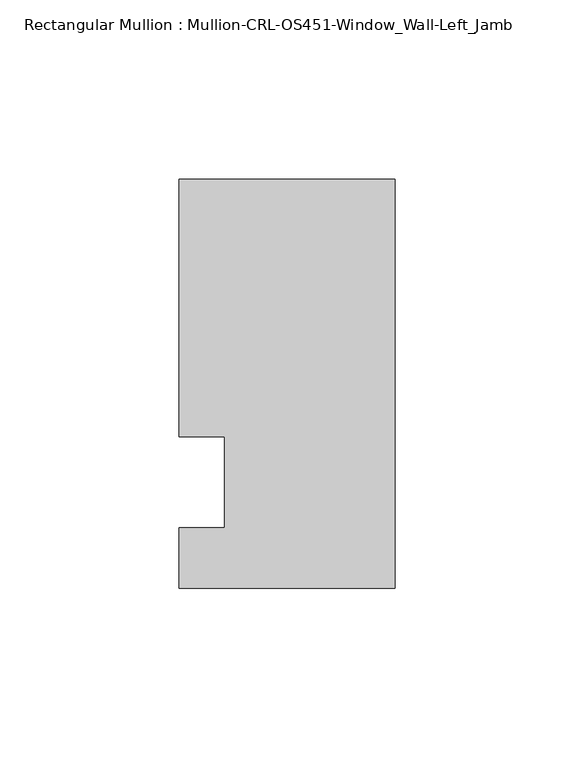
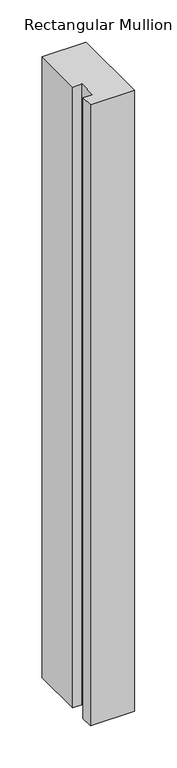
"""IFC4 building model written with IfcOpenShell, lengths in millimetres: member geometry, Rectangular Mullion : Mullion-CRL-OS451-Window_Wall-Left_Jamb."""

from ifc_helpers import new_model, si_unit, frame, origin, place, context, project, spatial, polyline, outline, extrude, source, transform, mapped, element, save


def rectangular_mullion_mullion_crl_os451_window_wall_left_jamb_89020d3f(model_context):
    return source(origin(), model_context, "Body", "SweptSolid", [
        extrude(outline(polyline([(-60.325, 12.7), (-60.325, 84.6587463), (0.0, 84.6587463), (0.0, -29.6531114), (-60.325, -29.6531114), (-60.325, -12.7), (-47.5139203, -12.7), (-47.5139203, 12.7), (-60.325, 12.7)])), frame((0.0, 0.0, -896.6199516), z_axis=(0.0, 0.0, 1.0), x_axis=(1.0, 0.0, 0.0)), (0.0, 0.0, 1.0), 896.6199516),
    ])


if __name__ == "__main__":
    model = new_model("IFC4")
    model_context = context("Model", 3, world=origin())
    ifc_project = project(units=[si_unit("LENGTHUNIT", "METRE", prefix="MILLI")], contexts=[model_context])
    site = spatial("IfcSite", under=ifc_project)
    building = spatial("IfcBuilding", under=site)
    placement = place(None, origin())
    rectangular_mullion_mullion_crl_os451_window_wall_left_jamb_shape = rectangular_mullion_mullion_crl_os451_window_wall_left_jamb_89020d3f(model_context)
    element("IfcMember", 1, ObjectType="Rectangular Mullion : Mullion-CRL-OS451-Window_Wall-Left_Jamb", at=placement, inside=building, context=model_context, shape_type="MappedRepresentation", body=[
        mapped(rectangular_mullion_mullion_crl_os451_window_wall_left_jamb_shape, transform((0.0, 0.0, 0.0), x_axis=(1.0, 0.0, 0.0), y_axis=(0.0, 1.0, 0.0), z_axis=(0.0, 0.0, 1.0))),
    ])
    save(model, "model.ifc")
